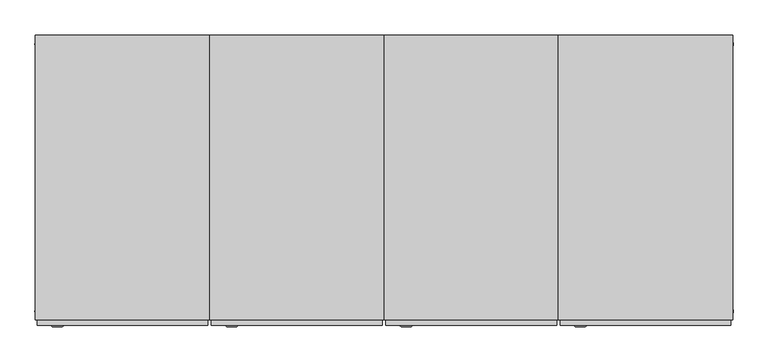
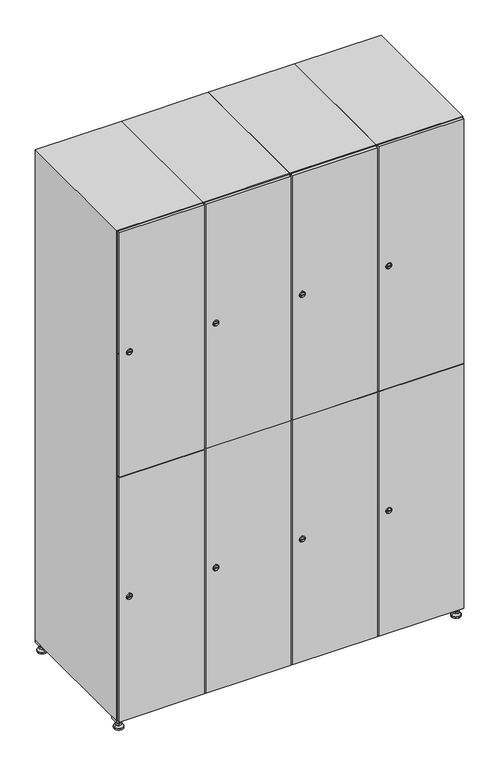
"""IFC4 building model written with IfcOpenShell, lengths in millimetres: furniture geometry."""

from ifc_helpers import new_model, si_unit, point, frame, frame_2d, origin, origin_with_axes, place, context, project, spatial, polyline, circle_curve, trimmed, segment, composite_curve, outline, extrude, faceted_brep, source, transform, mapped, element, save
from ifc_brep_helpers import plane_surface, revolved_surface, advanced_brep


def furniture_36581253(model_context):
    return source(origin(), model_context, "Body", "SolidModel", [
        extrude(outline(polyline([(1000.0, 245.0), (1000.0, 215.0), (970.0, 215.0), (970.0, 245.0), (1000.0, 245.0)]), holes=[polyline([(998.0, 243.0), (972.0, 243.0), (972.0, 217.0), (998.0, 217.0), (998.0, 243.0)])]), frame((0.0, 0.0, 28.5), z_axis=(0.0, 0.0, 1.0), x_axis=(1.0, 0.0, 0.0)), (0.0, 0.0, 1.0), 6.5),
        extrude(outline(polyline([(970.0, -245.0), (970.0, -215.0), (1000.0, -215.0), (1000.0, -245.0), (970.0, -245.0)]), holes=[polyline([(972.0, -243.0), (998.0, -243.0), (998.0, -217.0), (972.0, -217.0), (972.0, -243.0)])]), frame((0.0, 0.0, 28.5), z_axis=(0.0, 0.0, 1.0), x_axis=(1.0, 0.0, 0.0)), (0.0, 0.0, 1.0), 6.5),
        extrude(outline(polyline([(-170.0, 245.0), (-170.0, 215.0), (-200.0, 215.0), (-200.0, 245.0), (-170.0, 245.0)]), holes=[polyline([(-172.0, 243.0), (-198.0, 243.0), (-198.0, 217.0), (-172.0, 217.0), (-172.0, 243.0)])]), frame((0.0, 0.0, 28.5), z_axis=(0.0, 0.0, 1.0), x_axis=(1.0, 0.0, 0.0)), (0.0, 0.0, 1.0), 6.5),
        extrude(outline(polyline([(-170.0, -215.0), (-170.0, -245.0), (-200.0, -245.0), (-200.0, -215.0), (-170.0, -215.0)]), holes=[polyline([(-198.0, -243.0), (-172.0, -243.0), (-172.0, -217.0), (-198.0, -217.0), (-198.0, -243.0)])]), frame((0.0, 0.0, 28.5), z_axis=(0.0, 0.0, 1.0), x_axis=(1.0, 0.0, 0.0)), (0.0, 0.0, 1.0), 6.5),
        extrude(outline(composite_curve([segment(trimmed(circle_curve(frame_2d((-185.0, 230.0)), 5.0), [point((-180.0, 230.0))], [point((-190.0, 230.0))], False, "CARTESIAN"), True, "CONTINUOUS"), segment(trimmed(circle_curve(frame_2d((-185.0, 230.0)), 5.0), [point((-190.0, 230.0))], [point((-180.0, 230.0))], False, "CARTESIAN"), True, "CONTINUOUS")], self_intersect=False)), frame((0.0, 0.0, 19.6), z_axis=(0.0, 0.0, 1.0), x_axis=(1.0, 0.0, 0.0)), (0.0, 0.0, 1.0), 15.4),
        extrude(outline(composite_curve([segment(trimmed(circle_curve(frame_2d((-185.0, -230.0)), 5.0), [point((-180.0, -230.0))], [point((-190.0, -230.0))], False, "CARTESIAN"), True, "CONTINUOUS"), segment(trimmed(circle_curve(frame_2d((-185.0, -230.0)), 5.0), [point((-190.0, -230.0))], [point((-180.0, -230.0))], False, "CARTESIAN"), True, "CONTINUOUS")], self_intersect=False)), frame((0.0, 0.0, 19.6), z_axis=(0.0, 0.0, 1.0), x_axis=(1.0, 0.0, 0.0)), (0.0, 0.0, 1.0), 15.4),
        extrude(outline(composite_curve([segment(trimmed(circle_curve(frame_2d((985.0, 230.0)), 5.0), [point((990.0, 230.0))], [point((980.0, 230.0))], False, "CARTESIAN"), True, "CONTINUOUS"), segment(trimmed(circle_curve(frame_2d((985.0, 230.0)), 5.0), [point((980.0, 230.0))], [point((990.0, 230.0))], False, "CARTESIAN"), True, "CONTINUOUS")], self_intersect=False)), frame((0.0, 0.0, 19.6), z_axis=(0.0, 0.0, 1.0), x_axis=(1.0, 0.0, 0.0)), (0.0, 0.0, 1.0), 15.4),
        extrude(outline(polyline([(973.4529946, 230.0), (979.2264973, 240.0), (990.7735027, 240.0), (996.5470054, 230.0), (990.7735027, 220.0), (979.2264973, 220.0), (973.4529946, 230.0)])), frame((0.0, 0.0, 13.6), z_axis=(0.0, 0.0, 1.0), x_axis=(1.0, 0.0, 0.0)), (0.0, 0.0, 1.0), 6.0),
        extrude(outline(composite_curve([segment(trimmed(circle_curve(frame_2d((985.0, -230.0)), 5.0), [point((990.0, -230.0))], [point((980.0, -230.0))], False, "CARTESIAN"), True, "CONTINUOUS"), segment(trimmed(circle_curve(frame_2d((985.0, -230.0)), 5.0), [point((980.0, -230.0))], [point((990.0, -230.0))], False, "CARTESIAN"), True, "CONTINUOUS")], self_intersect=False)), frame((0.0, 0.0, 19.6), z_axis=(0.0, 0.0, 1.0), x_axis=(1.0, 0.0, 0.0)), (0.0, 0.0, 1.0), 15.4),
        extrude(outline(polyline([(973.4529946, -230.0), (979.2264973, -220.0), (990.7735027, -220.0), (996.5470054, -230.0), (990.7735027, -240.0), (979.2264973, -240.0), (973.4529946, -230.0)])), frame((0.0, 0.0, 13.6), z_axis=(0.0, 0.0, 1.0), x_axis=(1.0, 0.0, 0.0)), (0.0, 0.0, 1.0), 6.0),
        extrude(outline(composite_curve([segment(trimmed(circle_curve(frame_2d((985.0, 230.0)), 5.0), [point((990.0, 230.0))], [point((980.0, 230.0))], False, "CARTESIAN"), True, "CONTINUOUS"), segment(trimmed(circle_curve(frame_2d((985.0, 230.0)), 5.0), [point((980.0, 230.0))], [point((990.0, 230.0))], False, "CARTESIAN"), True, "CONTINUOUS")], self_intersect=False)), frame((0.0, 0.0, 12.1), z_axis=(0.0, 0.0, 1.0), x_axis=(1.0, 0.0, 0.0)), (0.0, 0.0, 1.0), 1.5),
        extrude(outline(composite_curve([segment(trimmed(circle_curve(frame_2d((985.0, -230.0)), 5.0), [point((990.0, -230.0))], [point((980.0, -230.0))], False, "CARTESIAN"), True, "CONTINUOUS"), segment(trimmed(circle_curve(frame_2d((985.0, -230.0)), 5.0), [point((980.0, -230.0))], [point((990.0, -230.0))], False, "CARTESIAN"), True, "CONTINUOUS")], self_intersect=False)), frame((0.0, 0.0, 12.1), z_axis=(0.0, 0.0, 1.0), x_axis=(1.0, 0.0, 0.0)), (0.0, 0.0, 1.0), 1.5),
        extrude(outline(polyline([(-196.5470054, 230.0), (-190.7735027, 240.0), (-179.2264973, 240.0), (-173.4529946, 230.0), (-179.2264973, 220.0), (-190.7735027, 220.0), (-196.5470054, 230.0)])), frame((0.0, 0.0, 13.6), z_axis=(0.0, 0.0, 1.0), x_axis=(1.0, 0.0, 0.0)), (0.0, 0.0, 1.0), 6.0),
        extrude(outline(polyline([(-196.5470054, -230.0), (-190.7735027, -220.0), (-179.2264973, -220.0), (-173.4529946, -230.0), (-179.2264973, -240.0), (-190.7735027, -240.0), (-196.5470054, -230.0)])), frame((0.0, 0.0, 13.6), z_axis=(0.0, 0.0, 1.0), x_axis=(1.0, 0.0, 0.0)), (0.0, 0.0, 1.0), 6.0),
        extrude(outline(composite_curve([segment(trimmed(circle_curve(frame_2d((-185.0, 230.0)), 5.0), [point((-185.0, 235.0))], [point((-185.0, 225.0))], False, "CARTESIAN"), True, "CONTINUOUS"), segment(trimmed(circle_curve(frame_2d((-185.0, 230.0)), 5.0), [point((-185.0, 225.0))], [point((-185.0, 235.0))], False, "CARTESIAN"), True, "CONTINUOUS")], self_intersect=False)), frame((0.0, 0.0, 12.1), z_axis=(0.0, 0.0, 1.0), x_axis=(1.0, 0.0, 0.0)), (0.0, 0.0, 1.0), 1.5),
        extrude(outline(composite_curve([segment(trimmed(circle_curve(frame_2d((-185.0, -230.0)), 5.0), [point((-180.0, -230.0))], [point((-190.0, -230.0))], False, "CARTESIAN"), True, "CONTINUOUS"), segment(trimmed(circle_curve(frame_2d((-185.0, -230.0)), 5.0), [point((-190.0, -230.0))], [point((-180.0, -230.0))], False, "CARTESIAN"), True, "CONTINUOUS")], self_intersect=False)), frame((0.0, 0.0, 12.1), z_axis=(0.0, 0.0, 1.0), x_axis=(1.0, 0.0, 0.0)), (0.0, 0.0, 1.0), 1.5),
        extrude(outline(composite_curve([segment(trimmed(circle_curve(frame_2d((985.0, 230.0)), 15.75), [point((1000.75, 230.0))], [point((969.25, 230.0))], False, "CARTESIAN"), True, "CONTINUOUS"), segment(trimmed(circle_curve(frame_2d((985.0, 230.0)), 15.75), [point((969.25, 230.0))], [point((1000.75, 230.0))], False, "CARTESIAN"), True, "CONTINUOUS")], self_intersect=False)), origin_with_axes(), (0.0, 0.0, 1.0), 5.1),
        extrude(outline(composite_curve([segment(trimmed(circle_curve(frame_2d((985.0, -230.0)), 15.75), [point((985.0, -214.25))], [point((985.0, -245.75))], False, "CARTESIAN"), True, "CONTINUOUS"), segment(trimmed(circle_curve(frame_2d((985.0, -230.0)), 15.75), [point((985.0, -245.75))], [point((985.0, -214.25))], False, "CARTESIAN"), True, "CONTINUOUS")], self_intersect=False)), origin_with_axes(), (0.0, 0.0, 1.0), 5.1),
        extrude(outline(composite_curve([segment(trimmed(circle_curve(frame_2d((-185.0, -230.0)), 15.75), [point((-169.25, -230.0))], [point((-200.75, -230.0))], False, "CARTESIAN"), True, "CONTINUOUS"), segment(trimmed(circle_curve(frame_2d((-185.0, -230.0)), 15.75), [point((-200.75, -230.0))], [point((-169.25, -230.0))], False, "CARTESIAN"), True, "CONTINUOUS")], self_intersect=False)), origin_with_axes(), (0.0, 0.0, 1.0), 5.1),
        extrude(outline(composite_curve([segment(trimmed(circle_curve(frame_2d((-185.0, 230.0)), 15.75), [point((-169.25, 230.0))], [point((-200.75, 230.0))], False, "CARTESIAN"), True, "CONTINUOUS"), segment(trimmed(circle_curve(frame_2d((-185.0, 230.0)), 15.75), [point((-200.75, 230.0))], [point((-169.25, 230.0))], False, "CARTESIAN"), True, "CONTINUOUS")], self_intersect=False)), origin_with_axes(), (0.0, 0.0, 1.0), 5.1),
        advanced_brep(
        [(-185.0, 239.5, 12.1), (-185.0, 220.5, 12.1), (-185.0, 214.25, 5.1), (-185.0, 245.75, 5.1)],
        [
            (0, 1, circle_curve(frame((-185.0, 230.0, 12.1), z_axis=(0.0, 0.0, -1.0), x_axis=(0.0, 1.0, 0.0)), 9.5)),
            (1, 2),
            (2, 3, circle_curve(frame((-185.0, 230.0, 5.1), z_axis=(0.0, 0.0, 1.0), x_axis=(0.0, 1.0, 0.0)), 15.75)),
            (3, 0),
            (1, 0, circle_curve(frame((-185.0, 230.0, 12.1), z_axis=(0.0, 0.0, -1.0), x_axis=(0.0, -1.0, 0.0)), 9.5)),
            (3, 2, circle_curve(frame((-185.0, 230.0, 5.1), z_axis=(0.0, 0.0, 1.0), x_axis=(0.0, -1.0, 0.0)), 15.75)),
        ],
        [
            revolved_surface(polyline([(-185.0, 220.5, 12.099999999999998), (-185.0, 214.25, 5.099999999999998)]), (-185.0, 230.0, 22.74), (0.0, 0.0, -1.0)),
            revolved_surface(polyline([(-185.0, 239.5, 12.099999999999998), (-185.0, 245.75, 5.099999999999998)]), (-185.0, 230.0, 22.74), (0.0, 0.0, -1.0)),
            plane_surface(frame((-185.0, 230.0, 5.1), z_axis=(0.0, 0.0, -1.0), x_axis=(1.0, 0.0, 0.0))),
            plane_surface(frame((-185.0, 230.0, 12.1), z_axis=(0.0, 0.0, 1.0), x_axis=(1.0, 0.0, 0.0))),
        ],
        [
            (0, [[1, 2, 3, 4]]),
            (1, [[5, -4, 6, -2]]),
            (2, [[-3, -6]]),
            (3, [[-5, -1]]),
        ],
    ),
        advanced_brep(
        [(985.0, 239.5, 12.1), (985.0, 220.5, 12.1), (985.0, 214.25, 5.1), (985.0, 245.75, 5.1)],
        [
            (0, 1, circle_curve(frame((985.0, 230.0, 12.1), z_axis=(0.0, 0.0, -1.0), x_axis=(0.0, 1.0, 0.0)), 9.5)),
            (1, 2),
            (2, 3, circle_curve(frame((985.0, 230.0, 5.1), z_axis=(0.0, 0.0, 1.0), x_axis=(0.0, 1.0, 0.0)), 15.75)),
            (3, 0),
            (1, 0, circle_curve(frame((985.0, 230.0, 12.1), z_axis=(0.0, 0.0, -1.0), x_axis=(0.0, -1.0, 0.0)), 9.5)),
            (3, 2, circle_curve(frame((985.0, 230.0, 5.1), z_axis=(0.0, 0.0, 1.0), x_axis=(0.0, -1.0, 0.0)), 15.75)),
        ],
        [
            revolved_surface(polyline([(985.0, 220.5, 12.099999999999998), (985.0, 214.25, 5.099999999999998)]), (985.0, 230.0, 22.74), (0.0, 0.0, -1.0)),
            revolved_surface(polyline([(985.0, 239.5, 12.099999999999998), (985.0, 245.75, 5.099999999999998)]), (985.0, 230.0, 22.74), (0.0, 0.0, -1.0)),
            plane_surface(frame((985.0, 230.0, 5.1), z_axis=(0.0, 0.0, -1.0), x_axis=(1.0, 0.0, 0.0))),
            plane_surface(frame((985.0, 230.0, 12.1), z_axis=(0.0, 0.0, 1.0), x_axis=(1.0, 0.0, 0.0))),
        ],
        [
            (0, [[1, 2, 3, 4]]),
            (1, [[5, -4, 6, -2]]),
            (2, [[-3, -6]]),
            (3, [[-5, -1]]),
        ],
    ),
        advanced_brep(
        [(1000.75, -230.0, 5.1), (969.25, -230.0, 5.1), (975.5, -230.0, 12.1), (994.5, -230.0, 12.1)],
        [
            (0, 1, circle_curve(frame((985.0, -230.0, 5.1), z_axis=(0.0, 0.0, 1.0), x_axis=(1.0, 0.0, 0.0)), 15.75)),
            (1, 2),
            (2, 3, circle_curve(frame((985.0, -230.0, 12.1), z_axis=(0.0, 0.0, -1.0), x_axis=(1.0, 0.0, 0.0)), 9.5)),
            (3, 0),
            (1, 0, circle_curve(frame((985.0, -230.0, 5.1), z_axis=(0.0, 0.0, 1.0), x_axis=(-1.0, 0.0, 0.0)), 15.75)),
            (3, 2, circle_curve(frame((985.0, -230.0, 12.1), z_axis=(0.0, 0.0, -1.0), x_axis=(-1.0, 0.0, 0.0)), 9.5)),
        ],
        [
            revolved_surface(polyline([(994.5, -230.0, 12.099999999999998), (1000.75, -230.0, 5.099999999999998)]), (985.0, -230.0, 22.74), (0.0, 0.0, -1.0)),
            revolved_surface(polyline([(975.5, -230.0, 12.099999999999998), (969.25, -230.0, 5.099999999999998)]), (985.0, -230.0, 22.74), (0.0, 0.0, -1.0)),
            plane_surface(frame((985.0, -230.0, 12.1), z_axis=(0.0, 0.0, 1.0), x_axis=(0.0, 1.0, 0.0))),
            plane_surface(frame((985.0, -230.0, 5.1), z_axis=(0.0, 0.0, -1.0), x_axis=(0.0, 1.0, 0.0))),
        ],
        [
            (0, [[1, 2, 3, 4]]),
            (1, [[5, -4, 6, -2]]),
            (2, [[-3, -6]]),
            (3, [[-5, -1]]),
        ],
    ),
        advanced_brep(
        [(-169.25, -230.0, 5.1), (-200.75, -230.0, 5.1), (-194.5, -230.0, 12.1), (-175.5, -230.0, 12.1)],
        [
            (0, 1, circle_curve(frame((-185.0, -230.0, 5.1), z_axis=(0.0, 0.0, 1.0), x_axis=(1.0, 0.0, 0.0)), 15.75)),
            (1, 2),
            (2, 3, circle_curve(frame((-185.0, -230.0, 12.1), z_axis=(0.0, 0.0, -1.0), x_axis=(1.0, 0.0, 0.0)), 9.5)),
            (3, 0),
            (1, 0, circle_curve(frame((-185.0, -230.0, 5.1), z_axis=(0.0, 0.0, 1.0), x_axis=(-1.0, 0.0, 0.0)), 15.75)),
            (3, 2, circle_curve(frame((-185.0, -230.0, 12.1), z_axis=(0.0, 0.0, -1.0), x_axis=(-1.0, 0.0, 0.0)), 9.5)),
        ],
        [
            revolved_surface(polyline([(-175.5, -230.0, 12.099999999999998), (-169.25, -230.0, 5.099999999999998)]), (-185.0, -230.0, 22.74), (0.0, 0.0, -1.0)),
            revolved_surface(polyline([(-194.5, -230.0, 12.099999999999998), (-200.75, -230.0, 5.099999999999998)]), (-185.0, -230.0, 22.74), (0.0, 0.0, -1.0)),
            plane_surface(frame((-185.0, -230.0, 12.1), z_axis=(0.0, 0.0, 1.0), x_axis=(0.0, 1.0, 0.0))),
            plane_surface(frame((-185.0, -230.0, 5.1), z_axis=(0.0, 0.0, -1.0), x_axis=(0.0, 1.0, 0.0))),
        ],
        [
            (0, [[1, 2, 3, 4]]),
            (1, [[5, -4, 6, -2]]),
            (2, [[-3, -6]]),
            (3, [[-5, -1]]),
        ],
    ),
        extrude(outline(composite_curve([segment(trimmed(circle_curve(frame_2d((486.5, 711.2010534)), 7.0), [point((493.5, 711.2010534))], [point((479.5, 711.2010534))], False, "CARTESIAN"), True, "CONTINUOUS"), segment(polyline([(479.5, 711.2010534), (479.5, 739.2010534)]), True, "CONTINUOUS"), segment(trimmed(circle_curve(frame_2d((486.5, 739.2010534)), 7.0), [point((479.5, 739.2010534))], [point((493.5, 739.2010534))], False, "CARTESIAN"), True, "CONTINUOUS"), segment(polyline([(493.5, 739.2010534), (493.5, 711.2010534)]), True, "CONTINUOUS")], self_intersect=False)), frame((0.0, -245.0, 0.0), z_axis=(0.0, 1.0, 0.0), x_axis=(0.0, 0.0, 1.0)), (0.0, 0.0, 1.0), 2.0),
        advanced_brep(
        [(746.5, -257.2, 486.5), (729.5, -257.2, 486.5), (733.0, -257.2, 485.25), (733.0, -257.2, 487.75), (743.0, -257.2, 487.75), (743.0, -257.2, 485.25), (748.5, -255.0, 486.5), (727.5, -255.0, 486.5), (733.0, -255.0, 487.75), (733.0, -255.0, 485.25), (743.0, -255.0, 485.25), (743.0, -255.0, 487.75)],
        [
            (0, 1, circle_curve(frame((738.0, -257.2, 486.5), z_axis=(0.0, -1.0, 0.0), x_axis=(1.0, 0.0, 0.0)), 8.5)),
            (1, 0, circle_curve(frame((738.0, -257.2, 486.5), z_axis=(0.0, -1.0, 0.0), x_axis=(-1.0, 0.0, 0.0)), 8.5)),
            (2, 3),
            (3, 4),
            (4, 5),
            (5, 2),
            (6, 7, circle_curve(frame((738.0, -255.0, 486.5), z_axis=(0.0, 1.0, 0.0), x_axis=(-1.0, 0.0, 0.0)), 10.5)),
            (7, 6, circle_curve(frame((738.0, -255.0, 486.5), z_axis=(0.0, 1.0, 0.0), x_axis=(1.0, 0.0, 0.0)), 10.5)),
            (8, 9),
            (9, 10),
            (10, 11),
            (11, 8),
            (0, 6),
            (7, 1),
            (8, 3),
            (2, 9),
            (11, 4),
            (10, 5),
        ],
        [
            plane_surface(frame((738.0, -257.2, 486.5), z_axis=(0.0, -1.0, 0.0), x_axis=(0.0, 0.0, 1.0))),
            plane_surface(frame((738.0, -255.0, 486.5), z_axis=(0.0, 1.0, 0.0), x_axis=(0.0, 0.0, 1.0))),
            revolved_surface(polyline([(746.5, -257.2, 486.5), (748.5, -255.0, 486.5)]), (738.0, -266.55, 486.5), (0.0, 1.0, 0.0)),
            revolved_surface(polyline([(729.5, -257.2, 486.5), (727.5, -255.0, 486.5)]), (738.0, -266.55, 486.5), (0.0, 1.0, 0.0)),
            plane_surface(frame((733.0, -255.0, 485.25), z_axis=(1.0, 0.0, 0.0), x_axis=(0.0, -1.0, 0.0))),
            plane_surface(frame((733.0, -255.0, 487.75), z_axis=(0.0, 0.0, -1.0), x_axis=(0.0, -1.0, 0.0))),
            plane_surface(frame((743.0, -255.0, 487.75), z_axis=(-1.0, 0.0, 0.0), x_axis=(0.0, -1.0, 0.0))),
            plane_surface(frame((743.0, -255.0, 485.25), z_axis=(0.0, 0.0, 1.0), x_axis=(0.0, -1.0, 0.0))),
        ],
        [
            (0, [[1, 2], [3, 4, 5, 6]]),
            (1, [[7, 8], [9, 10, 11, 12]]),
            (2, [[-1, 13, -8, 14]]),
            (3, [[-2, -14, -7, -13]]),
            (4, [[15, -3, 16, -9]]),
            (5, [[-15, -12, 17, -4]]),
            (6, [[-17, -11, 18, -5]]),
            (7, [[-16, -6, -18, -10]]),
        ],
    ),
        extrude(outline(composite_curve([segment(trimmed(circle_curve(frame_2d((1383.5, 711.2010534)), 7.0), [point((1390.5, 711.2010534))], [point((1376.5, 711.2010534))], False, "CARTESIAN"), True, "CONTINUOUS"), segment(polyline([(1376.5, 711.2010534), (1376.5, 739.2010534)]), True, "CONTINUOUS"), segment(trimmed(circle_curve(frame_2d((1383.5, 739.2010534)), 7.0), [point((1376.5, 739.2010534))], [point((1390.5, 739.2010534))], False, "CARTESIAN"), True, "CONTINUOUS"), segment(polyline([(1390.5, 739.2010534), (1390.5, 711.2010534)]), True, "CONTINUOUS")], self_intersect=False)), frame((0.0, -245.0, 0.0), z_axis=(0.0, 1.0, 0.0), x_axis=(0.0, 0.0, 1.0)), (0.0, 0.0, 1.0), 2.0),
        advanced_brep(
        [(746.5, -257.2, 1383.5), (729.5, -257.2, 1383.5), (733.0, -257.2, 1382.25), (733.0, -257.2, 1384.75), (743.0, -257.2, 1384.75), (743.0, -257.2, 1382.25), (748.5, -255.0, 1383.5), (727.5, -255.0, 1383.5), (733.0, -255.0, 1384.75), (733.0, -255.0, 1382.25), (743.0, -255.0, 1382.25), (743.0, -255.0, 1384.75)],
        [
            (0, 1, circle_curve(frame((738.0, -257.2, 1383.5), z_axis=(0.0, -1.0, 0.0), x_axis=(1.0, 0.0, 0.0)), 8.5)),
            (1, 0, circle_curve(frame((738.0, -257.2, 1383.5), z_axis=(0.0, -1.0, 0.0), x_axis=(-1.0, 0.0, 0.0)), 8.5)),
            (2, 3),
            (3, 4),
            (4, 5),
            (5, 2),
            (6, 7, circle_curve(frame((738.0, -255.0, 1383.5), z_axis=(0.0, 1.0, 0.0), x_axis=(-1.0, 0.0, 0.0)), 10.5)),
            (7, 6, circle_curve(frame((738.0, -255.0, 1383.5), z_axis=(0.0, 1.0, 0.0), x_axis=(1.0, 0.0, 0.0)), 10.5)),
            (8, 9),
            (9, 10),
            (10, 11),
            (11, 8),
            (0, 6),
            (7, 1),
            (8, 3),
            (2, 9),
            (11, 4),
            (10, 5),
        ],
        [
            plane_surface(frame((738.0, -257.2, 1383.5), z_axis=(0.0, -1.0, 0.0), x_axis=(0.0, 0.0, 1.0))),
            plane_surface(frame((738.0, -255.0, 1383.5), z_axis=(0.0, 1.0, 0.0), x_axis=(0.0, 0.0, 1.0))),
            revolved_surface(polyline([(746.5, -257.2, 1383.5), (748.5, -255.0, 1383.5)]), (738.0, -266.55, 1383.5), (0.0, 1.0, 0.0)),
            revolved_surface(polyline([(729.5, -257.2, 1383.5), (727.5, -255.0, 1383.5)]), (738.0, -266.55, 1383.5), (0.0, 1.0, 0.0)),
            plane_surface(frame((733.0, -255.0, 1382.25), z_axis=(1.0, 0.0, 0.0), x_axis=(0.0, -1.0, 0.0))),
            plane_surface(frame((733.0, -255.0, 1384.75), z_axis=(0.0, 0.0, -1.0), x_axis=(0.0, -1.0, 0.0))),
            plane_surface(frame((743.0, -255.0, 1384.75), z_axis=(-1.0, 0.0, 0.0), x_axis=(0.0, -1.0, 0.0))),
            plane_surface(frame((743.0, -255.0, 1382.25), z_axis=(0.0, 0.0, 1.0), x_axis=(0.0, -1.0, 0.0))),
        ],
        [
            (0, [[1, 2], [3, 4, 5, 6]]),
            (1, [[7, 8], [9, 10, 11, 12]]),
            (2, [[-1, 13, -8, 14]]),
            (3, [[-2, -14, -7, -13]]),
            (4, [[15, -3, 16, -9]]),
            (5, [[-15, -12, 17, -4]]),
            (6, [[-17, -11, 18, -5]]),
            (7, [[-16, -6, -18, -10]]),
        ],
    ),
        extrude(outline(polyline([(703.0, -255.0), (703.0, -245.0), (997.0, -245.0), (997.0, -255.0), (703.0, -255.0)])), frame((0.0, 0.0, 38.0), z_axis=(0.0, 0.0, 1.0), x_axis=(1.0, 0.0, 0.0)), (0.0, 0.0, 1.0), 896.5),
        extrude(outline(polyline([(997.0, -245.0), (997.0, -255.0), (703.0, -255.0), (703.0, -245.0), (997.0, -245.0)])), frame((0.0, 0.0, 935.5), z_axis=(0.0, 0.0, 1.0), x_axis=(1.0, 0.0, 0.0)), (0.0, 0.0, 1.0), 896.5),
        extrude(outline(polyline([(979.6, 242.0), (979.6, -235.0), (720.4, -235.0), (720.4, 242.0), (979.6, 242.0)])), frame((0.0, 0.0, 924.8), z_axis=(0.0, 0.0, 1.0), x_axis=(1.0, 0.0, 0.0)), (0.0, 0.0, 1.0), 20.4),
        faceted_brep([(1000.0, -245.0, 35.0), (1000.0, -245.0, 1835.0), (700.0, -245.0, 1835.0), (700.0, -245.0, 35.0), (979.6, -245.0, 1804.8), (979.6, -245.0, 65.2), (720.4, -245.0, 65.2), (720.4, -245.0, 1804.8), (1000.0, 245.0, 35.0), (700.0, 245.0, 35.0), (1000.0, 245.0, 1835.0), (700.0, 245.0, 1835.0), (979.6, 242.0, 1804.8), (979.6, 242.0, 65.2), (700.0, 245.0, 1804.8), (720.4, 242.0, 1804.8), (720.4, 242.0, 65.2)], [[[0, 1, 2, 3], [4, 5, 6, 7]], [[8, 0, 3, 9]], [[1, 0, 8, 10]], [[1, 10, 11, 2]], [[4, 12, 13, 5]], [[9, 3, 2, 11, 14]], [[10, 8, 9, 14, 11]], [[12, 15, 16, 13]], [[15, 7, 6, 16]], [[4, 7, 15, 12]], [[6, 5, 13, 16]]]),
        extrude(outline(composite_curve([segment(trimmed(circle_curve(frame_2d((486.5, 411.2010534)), 7.0), [point((493.5, 411.2010534))], [point((479.5, 411.2010534))], False, "CARTESIAN"), True, "CONTINUOUS"), segment(polyline([(479.5, 411.2010534), (479.5, 439.2010534)]), True, "CONTINUOUS"), segment(trimmed(circle_curve(frame_2d((486.5, 439.2010534)), 7.0), [point((479.5, 439.2010534))], [point((493.5, 439.2010534))], False, "CARTESIAN"), True, "CONTINUOUS"), segment(polyline([(493.5, 439.2010534), (493.5, 411.2010534)]), True, "CONTINUOUS")], self_intersect=False)), frame((0.0, -245.0, 0.0), z_axis=(0.0, 1.0, 0.0), x_axis=(0.0, 0.0, 1.0)), (0.0, 0.0, 1.0), 2.0),
        advanced_brep(
        [(446.5, -257.2, 486.5), (429.5, -257.2, 486.5), (433.0, -257.2, 485.25), (433.0, -257.2, 487.75), (443.0, -257.2, 487.75), (443.0, -257.2, 485.25), (448.5, -255.0, 486.5), (427.5, -255.0, 486.5), (433.0, -255.0, 487.75), (433.0, -255.0, 485.25), (443.0, -255.0, 485.25), (443.0, -255.0, 487.75)],
        [
            (0, 1, circle_curve(frame((438.0, -257.2, 486.5), z_axis=(0.0, -1.0, 0.0), x_axis=(1.0, 0.0, 0.0)), 8.5)),
            (1, 0, circle_curve(frame((438.0, -257.2, 486.5), z_axis=(0.0, -1.0, 0.0), x_axis=(-1.0, 0.0, 0.0)), 8.5)),
            (2, 3),
            (3, 4),
            (4, 5),
            (5, 2),
            (6, 7, circle_curve(frame((438.0, -255.0, 486.5), z_axis=(0.0, 1.0, 0.0), x_axis=(-1.0, 0.0, 0.0)), 10.5)),
            (7, 6, circle_curve(frame((438.0, -255.0, 486.5), z_axis=(0.0, 1.0, 0.0), x_axis=(1.0, 0.0, 0.0)), 10.5)),
            (8, 9),
            (9, 10),
            (10, 11),
            (11, 8),
            (0, 6),
            (7, 1),
            (8, 3),
            (2, 9),
            (11, 4),
            (10, 5),
        ],
        [
            plane_surface(frame((438.0, -257.2, 486.5), z_axis=(0.0, -1.0, 0.0), x_axis=(0.0, 0.0, 1.0))),
            plane_surface(frame((438.0, -255.0, 486.5), z_axis=(0.0, 1.0, 0.0), x_axis=(0.0, 0.0, 1.0))),
            revolved_surface(polyline([(446.5, -257.2, 486.5), (448.5, -255.0, 486.5)]), (438.0, -266.55, 486.5), (0.0, 1.0, 0.0)),
            revolved_surface(polyline([(429.5, -257.2, 486.5), (427.5, -255.0, 486.5)]), (438.0, -266.55, 486.5), (0.0, 1.0, 0.0)),
            plane_surface(frame((433.0, -255.0, 485.25), z_axis=(1.0, 0.0, 0.0), x_axis=(0.0, -1.0, 0.0))),
            plane_surface(frame((433.0, -255.0, 487.75), z_axis=(0.0, 0.0, -1.0), x_axis=(0.0, -1.0, 0.0))),
            plane_surface(frame((443.0, -255.0, 487.75), z_axis=(-1.0, 0.0, 0.0), x_axis=(0.0, -1.0, 0.0))),
            plane_surface(frame((443.0, -255.0, 485.25), z_axis=(0.0, 0.0, 1.0), x_axis=(0.0, -1.0, 0.0))),
        ],
        [
            (0, [[1, 2], [3, 4, 5, 6]]),
            (1, [[7, 8], [9, 10, 11, 12]]),
            (2, [[-1, 13, -8, 14]]),
            (3, [[-2, -14, -7, -13]]),
            (4, [[15, -3, 16, -9]]),
            (5, [[-15, -12, 17, -4]]),
            (6, [[-17, -11, 18, -5]]),
            (7, [[-16, -6, -18, -10]]),
        ],
    ),
        extrude(outline(composite_curve([segment(trimmed(circle_curve(frame_2d((1383.5, 411.2010534)), 7.0), [point((1390.5, 411.2010534))], [point((1376.5, 411.2010534))], False, "CARTESIAN"), True, "CONTINUOUS"), segment(polyline([(1376.5, 411.2010534), (1376.5, 439.2010534)]), True, "CONTINUOUS"), segment(trimmed(circle_curve(frame_2d((1383.5, 439.2010534)), 7.0), [point((1376.5, 439.2010534))], [point((1390.5, 439.2010534))], False, "CARTESIAN"), True, "CONTINUOUS"), segment(polyline([(1390.5, 439.2010534), (1390.5, 411.2010534)]), True, "CONTINUOUS")], self_intersect=False)), frame((0.0, -245.0, 0.0), z_axis=(0.0, 1.0, 0.0), x_axis=(0.0, 0.0, 1.0)), (0.0, 0.0, 1.0), 2.0),
        advanced_brep(
        [(446.5, -257.2, 1383.5), (429.5, -257.2, 1383.5), (433.0, -257.2, 1382.25), (433.0, -257.2, 1384.75), (443.0, -257.2, 1384.75), (443.0, -257.2, 1382.25), (448.5, -255.0, 1383.5), (427.5, -255.0, 1383.5), (433.0, -255.0, 1384.75), (433.0, -255.0, 1382.25), (443.0, -255.0, 1382.25), (443.0, -255.0, 1384.75)],
        [
            (0, 1, circle_curve(frame((438.0, -257.2, 1383.5), z_axis=(0.0, -1.0, 0.0), x_axis=(1.0, 0.0, 0.0)), 8.5)),
            (1, 0, circle_curve(frame((438.0, -257.2, 1383.5), z_axis=(0.0, -1.0, 0.0), x_axis=(-1.0, 0.0, 0.0)), 8.5)),
            (2, 3),
            (3, 4),
            (4, 5),
            (5, 2),
            (6, 7, circle_curve(frame((438.0, -255.0, 1383.5), z_axis=(0.0, 1.0, 0.0), x_axis=(-1.0, 0.0, 0.0)), 10.5)),
            (7, 6, circle_curve(frame((438.0, -255.0, 1383.5), z_axis=(0.0, 1.0, 0.0), x_axis=(1.0, 0.0, 0.0)), 10.5)),
            (8, 9),
            (9, 10),
            (10, 11),
            (11, 8),
            (0, 6),
            (7, 1),
            (8, 3),
            (2, 9),
            (11, 4),
            (10, 5),
        ],
        [
            plane_surface(frame((438.0, -257.2, 1383.5), z_axis=(0.0, -1.0, 0.0), x_axis=(0.0, 0.0, 1.0))),
            plane_surface(frame((438.0, -255.0, 1383.5), z_axis=(0.0, 1.0, 0.0), x_axis=(0.0, 0.0, 1.0))),
            revolved_surface(polyline([(446.5, -257.2, 1383.5), (448.5, -255.0, 1383.5)]), (438.0, -266.55, 1383.5), (0.0, 1.0, 0.0)),
            revolved_surface(polyline([(429.5, -257.2, 1383.5), (427.5, -255.0, 1383.5)]), (438.0, -266.55, 1383.5), (0.0, 1.0, 0.0)),
            plane_surface(frame((433.0, -255.0, 1382.25), z_axis=(1.0, 0.0, 0.0), x_axis=(0.0, -1.0, 0.0))),
            plane_surface(frame((433.0, -255.0, 1384.75), z_axis=(0.0, 0.0, -1.0), x_axis=(0.0, -1.0, 0.0))),
            plane_surface(frame((443.0, -255.0, 1384.75), z_axis=(-1.0, 0.0, 0.0), x_axis=(0.0, -1.0, 0.0))),
            plane_surface(frame((443.0, -255.0, 1382.25), z_axis=(0.0, 0.0, 1.0), x_axis=(0.0, -1.0, 0.0))),
        ],
        [
            (0, [[1, 2], [3, 4, 5, 6]]),
            (1, [[7, 8], [9, 10, 11, 12]]),
            (2, [[-1, 13, -8, 14]]),
            (3, [[-2, -14, -7, -13]]),
            (4, [[15, -3, 16, -9]]),
            (5, [[-15, -12, 17, -4]]),
            (6, [[-17, -11, 18, -5]]),
            (7, [[-16, -6, -18, -10]]),
        ],
    ),
        extrude(outline(polyline([(403.0, -255.0), (403.0, -245.0), (697.0, -245.0), (697.0, -255.0), (403.0, -255.0)])), frame((0.0, 0.0, 38.0), z_axis=(0.0, 0.0, 1.0), x_axis=(1.0, 0.0, 0.0)), (0.0, 0.0, 1.0), 896.5),
        extrude(outline(polyline([(697.0, -245.0), (697.0, -255.0), (403.0, -255.0), (403.0, -245.0), (697.0, -245.0)])), frame((0.0, 0.0, 935.5), z_axis=(0.0, 0.0, 1.0), x_axis=(1.0, 0.0, 0.0)), (0.0, 0.0, 1.0), 896.5),
        extrude(outline(polyline([(679.6, 242.0), (679.6, -235.0), (420.4, -235.0), (420.4, 242.0), (679.6, 242.0)])), frame((0.0, 0.0, 924.8), z_axis=(0.0, 0.0, 1.0), x_axis=(1.0, 0.0, 0.0)), (0.0, 0.0, 1.0), 20.4),
        faceted_brep([(700.0, -245.0, 35.0), (700.0, -245.0, 1835.0), (400.0, -245.0, 1835.0), (400.0, -245.0, 35.0), (679.6, -245.0, 1804.8), (679.6, -245.0, 65.2), (420.4, -245.0, 65.2), (420.4, -245.0, 1804.8), (700.0, 245.0, 35.0), (400.0, 245.0, 35.0), (700.0, 245.0, 1835.0), (400.0, 245.0, 1835.0), (679.6, 242.0, 1804.8), (679.6, 242.0, 65.2), (400.0, 245.0, 1804.8), (420.4, 242.0, 1804.8), (420.4, 242.0, 65.2)], [[[0, 1, 2, 3], [4, 5, 6, 7]], [[8, 0, 3, 9]], [[1, 0, 8, 10]], [[1, 10, 11, 2]], [[4, 12, 13, 5]], [[9, 3, 2, 11, 14]], [[10, 8, 9, 14, 11]], [[12, 15, 16, 13]], [[15, 7, 6, 16]], [[4, 7, 15, 12]], [[6, 5, 13, 16]]]),
        extrude(outline(composite_curve([segment(trimmed(circle_curve(frame_2d((486.5, 111.2010534)), 7.0), [point((493.5, 111.2010534))], [point((479.5, 111.2010534))], False, "CARTESIAN"), True, "CONTINUOUS"), segment(polyline([(479.5, 111.2010534), (479.5, 139.2010534)]), True, "CONTINUOUS"), segment(trimmed(circle_curve(frame_2d((486.5, 139.2010534)), 7.0), [point((479.5, 139.2010534))], [point((493.5, 139.2010534))], False, "CARTESIAN"), True, "CONTINUOUS"), segment(polyline([(493.5, 139.2010534), (493.5, 111.2010534)]), True, "CONTINUOUS")], self_intersect=False)), frame((0.0, -245.0, 0.0), z_axis=(0.0, 1.0, 0.0), x_axis=(0.0, 0.0, 1.0)), (0.0, 0.0, 1.0), 2.0),
        advanced_brep(
        [(146.5, -257.2, 486.5), (129.5, -257.2, 486.5), (133.0, -257.2, 485.25), (133.0, -257.2, 487.75), (143.0, -257.2, 487.75), (143.0, -257.2, 485.25), (148.5, -255.0, 486.5), (127.5, -255.0, 486.5), (133.0, -255.0, 487.75), (133.0, -255.0, 485.25), (143.0, -255.0, 485.25), (143.0, -255.0, 487.75)],
        [
            (0, 1, circle_curve(frame((138.0, -257.2, 486.5), z_axis=(0.0, -1.0, 0.0), x_axis=(1.0, 0.0, 0.0)), 8.5)),
            (1, 0, circle_curve(frame((138.0, -257.2, 486.5), z_axis=(0.0, -1.0, 0.0), x_axis=(-1.0, 0.0, 0.0)), 8.5)),
            (2, 3),
            (3, 4),
            (4, 5),
            (5, 2),
            (6, 7, circle_curve(frame((138.0, -255.0, 486.5), z_axis=(0.0, 1.0, 0.0), x_axis=(-1.0, 0.0, 0.0)), 10.5)),
            (7, 6, circle_curve(frame((138.0, -255.0, 486.5), z_axis=(0.0, 1.0, 0.0), x_axis=(1.0, 0.0, 0.0)), 10.5)),
            (8, 9),
            (9, 10),
            (10, 11),
            (11, 8),
            (0, 6),
            (7, 1),
            (8, 3),
            (2, 9),
            (11, 4),
            (10, 5),
        ],
        [
            plane_surface(frame((138.0, -257.2, 486.5), z_axis=(0.0, -1.0, 0.0), x_axis=(0.0, 0.0, 1.0))),
            plane_surface(frame((138.0, -255.0, 486.5), z_axis=(0.0, 1.0, 0.0), x_axis=(0.0, 0.0, 1.0))),
            revolved_surface(polyline([(146.5, -257.2, 486.5), (148.5, -255.0, 486.5)]), (138.0, -266.55, 486.5), (0.0, 1.0, 0.0)),
            revolved_surface(polyline([(129.5, -257.2, 486.5), (127.5, -255.0, 486.5)]), (138.0, -266.55, 486.5), (0.0, 1.0, 0.0)),
            plane_surface(frame((133.0, -255.0, 485.25), z_axis=(1.0, 0.0, 0.0), x_axis=(0.0, -1.0, 0.0))),
            plane_surface(frame((133.0, -255.0, 487.75), z_axis=(0.0, 0.0, -1.0), x_axis=(0.0, -1.0, 0.0))),
            plane_surface(frame((143.0, -255.0, 487.75), z_axis=(-1.0, 0.0, 0.0), x_axis=(0.0, -1.0, 0.0))),
            plane_surface(frame((143.0, -255.0, 485.25), z_axis=(0.0, 0.0, 1.0), x_axis=(0.0, -1.0, 0.0))),
        ],
        [
            (0, [[1, 2], [3, 4, 5, 6]]),
            (1, [[7, 8], [9, 10, 11, 12]]),
            (2, [[-1, 13, -8, 14]]),
            (3, [[-2, -14, -7, -13]]),
            (4, [[15, -3, 16, -9]]),
            (5, [[-15, -12, 17, -4]]),
            (6, [[-17, -11, 18, -5]]),
            (7, [[-16, -6, -18, -10]]),
        ],
    ),
        extrude(outline(composite_curve([segment(trimmed(circle_curve(frame_2d((1383.5, 111.2010534)), 7.0), [point((1390.5, 111.2010534))], [point((1376.5, 111.2010534))], False, "CARTESIAN"), True, "CONTINUOUS"), segment(polyline([(1376.5, 111.2010534), (1376.5, 139.2010534)]), True, "CONTINUOUS"), segment(trimmed(circle_curve(frame_2d((1383.5, 139.2010534)), 7.0), [point((1376.5, 139.2010534))], [point((1390.5, 139.2010534))], False, "CARTESIAN"), True, "CONTINUOUS"), segment(polyline([(1390.5, 139.2010534), (1390.5, 111.2010534)]), True, "CONTINUOUS")], self_intersect=False)), frame((0.0, -245.0, 0.0), z_axis=(0.0, 1.0, 0.0), x_axis=(0.0, 0.0, 1.0)), (0.0, 0.0, 1.0), 2.0),
        advanced_brep(
        [(146.5, -257.2, 1383.5), (129.5, -257.2, 1383.5), (133.0, -257.2, 1382.25), (133.0, -257.2, 1384.75), (143.0, -257.2, 1384.75), (143.0, -257.2, 1382.25), (148.5, -255.0, 1383.5), (127.5, -255.0, 1383.5), (133.0, -255.0, 1384.75), (133.0, -255.0, 1382.25), (143.0, -255.0, 1382.25), (143.0, -255.0, 1384.75)],
        [
            (0, 1, circle_curve(frame((138.0, -257.2, 1383.5), z_axis=(0.0, -1.0, 0.0), x_axis=(1.0, 0.0, 0.0)), 8.5)),
            (1, 0, circle_curve(frame((138.0, -257.2, 1383.5), z_axis=(0.0, -1.0, 0.0), x_axis=(-1.0, 0.0, 0.0)), 8.5)),
            (2, 3),
            (3, 4),
            (4, 5),
            (5, 2),
            (6, 7, circle_curve(frame((138.0, -255.0, 1383.5), z_axis=(0.0, 1.0, 0.0), x_axis=(-1.0, 0.0, 0.0)), 10.5)),
            (7, 6, circle_curve(frame((138.0, -255.0, 1383.5), z_axis=(0.0, 1.0, 0.0), x_axis=(1.0, 0.0, 0.0)), 10.5)),
            (8, 9),
            (9, 10),
            (10, 11),
            (11, 8),
            (0, 6),
            (7, 1),
            (8, 3),
            (2, 9),
            (11, 4),
            (10, 5),
        ],
        [
            plane_surface(frame((138.0, -257.2, 1383.5), z_axis=(0.0, -1.0, 0.0), x_axis=(0.0, 0.0, 1.0))),
            plane_surface(frame((138.0, -255.0, 1383.5), z_axis=(0.0, 1.0, 0.0), x_axis=(0.0, 0.0, 1.0))),
            revolved_surface(polyline([(146.5, -257.2, 1383.5), (148.5, -255.0, 1383.5)]), (138.0, -266.55, 1383.5), (0.0, 1.0, 0.0)),
            revolved_surface(polyline([(129.5, -257.2, 1383.5), (127.5, -255.0, 1383.5)]), (138.0, -266.55, 1383.5), (0.0, 1.0, 0.0)),
            plane_surface(frame((133.0, -255.0, 1382.25), z_axis=(1.0, 0.0, 0.0), x_axis=(0.0, -1.0, 0.0))),
            plane_surface(frame((133.0, -255.0, 1384.75), z_axis=(0.0, 0.0, -1.0), x_axis=(0.0, -1.0, 0.0))),
            plane_surface(frame((143.0, -255.0, 1384.75), z_axis=(-1.0, 0.0, 0.0), x_axis=(0.0, -1.0, 0.0))),
            plane_surface(frame((143.0, -255.0, 1382.25), z_axis=(0.0, 0.0, 1.0), x_axis=(0.0, -1.0, 0.0))),
        ],
        [
            (0, [[1, 2], [3, 4, 5, 6]]),
            (1, [[7, 8], [9, 10, 11, 12]]),
            (2, [[-1, 13, -8, 14]]),
            (3, [[-2, -14, -7, -13]]),
            (4, [[15, -3, 16, -9]]),
            (5, [[-15, -12, 17, -4]]),
            (6, [[-17, -11, 18, -5]]),
            (7, [[-16, -6, -18, -10]]),
        ],
    ),
        extrude(outline(polyline([(103.0, -255.0), (103.0, -245.0), (397.0, -245.0), (397.0, -255.0), (103.0, -255.0)])), frame((0.0, 0.0, 38.0), z_axis=(0.0, 0.0, 1.0), x_axis=(1.0, 0.0, 0.0)), (0.0, 0.0, 1.0), 896.5),
        extrude(outline(polyline([(397.0, -245.0), (397.0, -255.0), (103.0, -255.0), (103.0, -245.0), (397.0, -245.0)])), frame((0.0, 0.0, 935.5), z_axis=(0.0, 0.0, 1.0), x_axis=(1.0, 0.0, 0.0)), (0.0, 0.0, 1.0), 896.5),
        extrude(outline(polyline([(379.6, 242.0), (379.6, -235.0), (120.4, -235.0), (120.4, 242.0), (379.6, 242.0)])), frame((0.0, 0.0, 924.8), z_axis=(0.0, 0.0, 1.0), x_axis=(1.0, 0.0, 0.0)), (0.0, 0.0, 1.0), 20.4),
        faceted_brep([(400.0, -245.0, 35.0), (400.0, -245.0, 1835.0), (100.0, -245.0, 1835.0), (100.0, -245.0, 35.0), (379.6, -245.0, 1804.8), (379.6, -245.0, 65.2), (120.4, -245.0, 65.2), (120.4, -245.0, 1804.8), (400.0, 245.0, 35.0), (100.0, 245.0, 35.0), (400.0, 245.0, 1835.0), (100.0, 245.0, 1835.0), (379.6, 242.0, 1804.8), (379.6, 242.0, 65.2), (100.0, 245.0, 1804.8), (120.4, 242.0, 1804.8), (120.4, 242.0, 65.2)], [[[0, 1, 2, 3], [4, 5, 6, 7]], [[8, 0, 3, 9]], [[1, 0, 8, 10]], [[1, 10, 11, 2]], [[4, 12, 13, 5]], [[9, 3, 2, 11, 14]], [[10, 8, 9, 14, 11]], [[12, 15, 16, 13]], [[15, 7, 6, 16]], [[4, 7, 15, 12]], [[6, 5, 13, 16]]]),
        extrude(outline(composite_curve([segment(trimmed(circle_curve(frame_2d((486.5, -188.7989466)), 7.0), [point((493.5, -188.7989466))], [point((479.5, -188.7989466))], False, "CARTESIAN"), True, "CONTINUOUS"), segment(polyline([(479.5, -188.7989466), (479.5, -160.7989466)]), True, "CONTINUOUS"), segment(trimmed(circle_curve(frame_2d((486.5, -160.7989466)), 7.0), [point((479.5, -160.7989466))], [point((493.5, -160.7989466))], False, "CARTESIAN"), True, "CONTINUOUS"), segment(polyline([(493.5, -160.7989466), (493.5, -188.7989466)]), True, "CONTINUOUS")], self_intersect=False)), frame((0.0, -245.0, 0.0), z_axis=(0.0, 1.0, 0.0), x_axis=(0.0, 0.0, 1.0)), (0.0, 0.0, 1.0), 2.0),
        advanced_brep(
        [(-153.5, -257.2, 486.5), (-170.5, -257.2, 486.5), (-167.0, -257.2, 485.25), (-167.0, -257.2, 487.75), (-157.0, -257.2, 487.75), (-157.0, -257.2, 485.25), (-151.5, -255.0, 486.5), (-172.5, -255.0, 486.5), (-167.0, -255.0, 487.75), (-167.0, -255.0, 485.25), (-157.0, -255.0, 485.25), (-157.0, -255.0, 487.75)],
        [
            (0, 1, circle_curve(frame((-162.0, -257.2, 486.5), z_axis=(0.0, -1.0, 0.0), x_axis=(1.0, 0.0, 0.0)), 8.5)),
            (1, 0, circle_curve(frame((-162.0, -257.2, 486.5), z_axis=(0.0, -1.0, 0.0), x_axis=(-1.0, 0.0, 0.0)), 8.5)),
            (2, 3),
            (3, 4),
            (4, 5),
            (5, 2),
            (6, 7, circle_curve(frame((-162.0, -255.0, 486.5), z_axis=(0.0, 1.0, 0.0), x_axis=(-1.0, 0.0, 0.0)), 10.5)),
            (7, 6, circle_curve(frame((-162.0, -255.0, 486.5), z_axis=(0.0, 1.0, 0.0), x_axis=(1.0, 0.0, 0.0)), 10.5)),
            (8, 9),
            (9, 10),
            (10, 11),
            (11, 8),
            (0, 6),
            (7, 1),
            (8, 3),
            (2, 9),
            (11, 4),
            (10, 5),
        ],
        [
            plane_surface(frame((-162.0, -257.2, 486.5), z_axis=(0.0, -1.0, 0.0), x_axis=(0.0, 0.0, 1.0))),
            plane_surface(frame((-162.0, -255.0, 486.5), z_axis=(0.0, 1.0, 0.0), x_axis=(0.0, 0.0, 1.0))),
            revolved_surface(polyline([(-153.5, -257.2, 486.5), (-151.5, -255.0, 486.5)]), (-162.0, -266.55, 486.5), (0.0, 1.0, 0.0)),
            revolved_surface(polyline([(-170.5, -257.2, 486.5), (-172.5, -255.0, 486.5)]), (-162.0, -266.55, 486.5), (0.0, 1.0, 0.0)),
            plane_surface(frame((-167.0, -255.0, 485.25), z_axis=(1.0, 0.0, 0.0), x_axis=(0.0, -1.0, 0.0))),
            plane_surface(frame((-167.0, -255.0, 487.75), z_axis=(0.0, 0.0, -1.0), x_axis=(0.0, -1.0, 0.0))),
            plane_surface(frame((-157.0, -255.0, 487.75), z_axis=(-1.0, 0.0, 0.0), x_axis=(0.0, -1.0, 0.0))),
            plane_surface(frame((-157.0, -255.0, 485.25), z_axis=(0.0, 0.0, 1.0), x_axis=(0.0, -1.0, 0.0))),
        ],
        [
            (0, [[1, 2], [3, 4, 5, 6]]),
            (1, [[7, 8], [9, 10, 11, 12]]),
            (2, [[-1, 13, -8, 14]]),
            (3, [[-2, -14, -7, -13]]),
            (4, [[15, -3, 16, -9]]),
            (5, [[-15, -12, 17, -4]]),
            (6, [[-17, -11, 18, -5]]),
            (7, [[-16, -6, -18, -10]]),
        ],
    ),
        extrude(outline(composite_curve([segment(trimmed(circle_curve(frame_2d((1383.5, -188.7989466)), 7.0), [point((1390.5, -188.7989466))], [point((1376.5, -188.7989466))], False, "CARTESIAN"), True, "CONTINUOUS"), segment(polyline([(1376.5, -188.7989466), (1376.5, -160.7989466)]), True, "CONTINUOUS"), segment(trimmed(circle_curve(frame_2d((1383.5, -160.7989466)), 7.0), [point((1376.5, -160.7989466))], [point((1390.5, -160.7989466))], False, "CARTESIAN"), True, "CONTINUOUS"), segment(polyline([(1390.5, -160.7989466), (1390.5, -188.7989466)]), True, "CONTINUOUS")], self_intersect=False)), frame((0.0, -245.0, 0.0), z_axis=(0.0, 1.0, 0.0), x_axis=(0.0, 0.0, 1.0)), (0.0, 0.0, 1.0), 2.0),
        advanced_brep(
        [(-153.5, -257.2, 1383.5), (-170.5, -257.2, 1383.5), (-167.0, -257.2, 1382.25), (-167.0, -257.2, 1384.75), (-157.0, -257.2, 1384.75), (-157.0, -257.2, 1382.25), (-151.5, -255.0, 1383.5), (-172.5, -255.0, 1383.5), (-167.0, -255.0, 1384.75), (-167.0, -255.0, 1382.25), (-157.0, -255.0, 1382.25), (-157.0, -255.0, 1384.75)],
        [
            (0, 1, circle_curve(frame((-162.0, -257.2, 1383.5), z_axis=(0.0, -1.0, 0.0), x_axis=(1.0, 0.0, 0.0)), 8.5)),
            (1, 0, circle_curve(frame((-162.0, -257.2, 1383.5), z_axis=(0.0, -1.0, 0.0), x_axis=(-1.0, 0.0, 0.0)), 8.5)),
            (2, 3),
            (3, 4),
            (4, 5),
            (5, 2),
            (6, 7, circle_curve(frame((-162.0, -255.0, 1383.5), z_axis=(0.0, 1.0, 0.0), x_axis=(-1.0, 0.0, 0.0)), 10.5)),
            (7, 6, circle_curve(frame((-162.0, -255.0, 1383.5), z_axis=(0.0, 1.0, 0.0), x_axis=(1.0, 0.0, 0.0)), 10.5)),
            (8, 9),
            (9, 10),
            (10, 11),
            (11, 8),
            (0, 6),
            (7, 1),
            (8, 3),
            (2, 9),
            (11, 4),
            (10, 5),
        ],
        [
            plane_surface(frame((-162.0, -257.2, 1383.5), z_axis=(0.0, -1.0, 0.0), x_axis=(0.0, 0.0, 1.0))),
            plane_surface(frame((-162.0, -255.0, 1383.5), z_axis=(0.0, 1.0, 0.0), x_axis=(0.0, 0.0, 1.0))),
            revolved_surface(polyline([(-153.5, -257.2, 1383.5), (-151.5, -255.0, 1383.5)]), (-162.0, -266.55, 1383.5), (0.0, 1.0, 0.0)),
            revolved_surface(polyline([(-170.5, -257.2, 1383.5), (-172.5, -255.0, 1383.5)]), (-162.0, -266.55, 1383.5), (0.0, 1.0, 0.0)),
            plane_surface(frame((-167.0, -255.0, 1382.25), z_axis=(1.0, 0.0, 0.0), x_axis=(0.0, -1.0, 0.0))),
            plane_surface(frame((-167.0, -255.0, 1384.75), z_axis=(0.0, 0.0, -1.0), x_axis=(0.0, -1.0, 0.0))),
            plane_surface(frame((-157.0, -255.0, 1384.75), z_axis=(-1.0, 0.0, 0.0), x_axis=(0.0, -1.0, 0.0))),
            plane_surface(frame((-157.0, -255.0, 1382.25), z_axis=(0.0, 0.0, 1.0), x_axis=(0.0, -1.0, 0.0))),
        ],
        [
            (0, [[1, 2], [3, 4, 5, 6]]),
            (1, [[7, 8], [9, 10, 11, 12]]),
            (2, [[-1, 13, -8, 14]]),
            (3, [[-2, -14, -7, -13]]),
            (4, [[15, -3, 16, -9]]),
            (5, [[-15, -12, 17, -4]]),
            (6, [[-17, -11, 18, -5]]),
            (7, [[-16, -6, -18, -10]]),
        ],
    ),
        extrude(outline(polyline([(-197.0, -255.0), (-197.0, -245.0), (97.0, -245.0), (97.0, -255.0), (-197.0, -255.0)])), frame((0.0, 0.0, 38.0), z_axis=(0.0, 0.0, 1.0), x_axis=(1.0, 0.0, 0.0)), (0.0, 0.0, 1.0), 896.5),
        extrude(outline(polyline([(97.0, -245.0), (97.0, -255.0), (-197.0, -255.0), (-197.0, -245.0), (97.0, -245.0)])), frame((0.0, 0.0, 935.5), z_axis=(0.0, 0.0, 1.0), x_axis=(1.0, 0.0, 0.0)), (0.0, 0.0, 1.0), 896.5),
        extrude(outline(polyline([(79.6, 242.0), (79.6, -235.0), (-179.6, -235.0), (-179.6, 242.0), (79.6, 242.0)])), frame((0.0, 0.0, 924.8), z_axis=(0.0, 0.0, 1.0), x_axis=(1.0, 0.0, 0.0)), (0.0, 0.0, 1.0), 20.4),
        faceted_brep([(100.0, -245.0, 35.0), (100.0, -245.0, 1835.0), (-200.0, -245.0, 1835.0), (-200.0, -245.0, 35.0), (79.6, -245.0, 1804.8), (79.6, -245.0, 65.2), (-179.6, -245.0, 65.2), (-179.6, -245.0, 1804.8), (100.0, 245.0, 35.0), (-200.0, 245.0, 35.0), (100.0, 245.0, 1835.0), (-200.0, 245.0, 1835.0), (79.6, 242.0, 1804.8), (79.6, 242.0, 65.2), (-200.0, 245.0, 1804.8), (-179.6, 242.0, 1804.8), (-179.6, 242.0, 65.2)], [[[0, 1, 2, 3], [4, 5, 6, 7]], [[8, 0, 3, 9]], [[1, 0, 8, 10]], [[1, 10, 11, 2]], [[4, 12, 13, 5]], [[9, 3, 2, 11, 14]], [[10, 8, 9, 14, 11]], [[12, 15, 16, 13]], [[15, 7, 6, 16]], [[4, 7, 15, 12]], [[6, 5, 13, 16]]]),
    ])


if __name__ == "__main__":
    model = new_model("IFC4")
    model_context = context("Model", 3, world=origin())
    ifc_project = project(units=[si_unit("LENGTHUNIT", "METRE", prefix="MILLI")], contexts=[model_context])
    site = spatial("IfcSite", under=ifc_project)
    building = spatial("IfcBuilding", under=site)
    placement = place(None, origin())
    furniture_shape = furniture_36581253(model_context)
    element("IfcFurniture", 1, at=placement, inside=building, context=model_context, shape_type="MappedRepresentation", body=[
        mapped(furniture_shape, transform((0.0, 0.0, 0.0), x_axis=(1.0, 0.0, 0.0), y_axis=(0.0, 1.0, 0.0), z_axis=(0.0, 0.0, 1.0))),
    ])
    save(model, "model.ifc")
